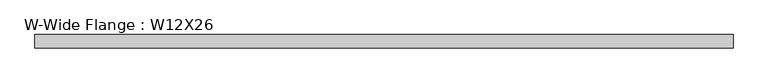
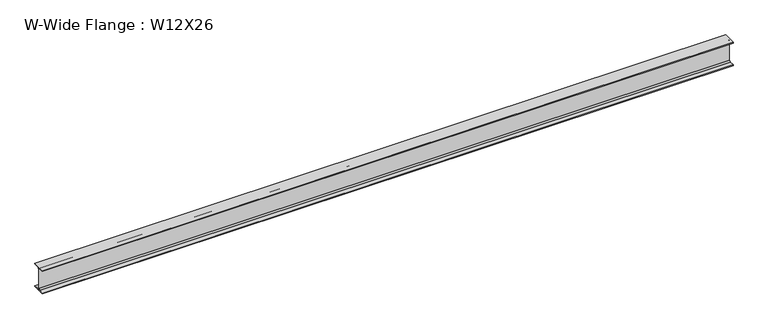
"""IFC4 building model written with IfcOpenShell, lengths in millimetres: beam geometry, W-Wide Flange : W12X26."""

from ifc_helpers import new_model, si_unit, point, frame, frame_2d, origin, place, context, project, spatial, polyline, circle_curve, trimmed, segment, composite_curve, outline, extrude, source, transform, mapped, element, save


def w_wide_flange_w12x26_3cccf0f2(model_context):
    return source(origin(), model_context, "Body", "SweptSolid", [
        extrude(outline(composite_curve([segment(polyline([(82.4011719, -145.5539063), (82.4011719, -155.178125), (-82.4011719, -155.178125), (-82.4011719, -145.5539063), (-20.2902344, -145.5539063)]), True, "CONTINUOUS"), segment(trimmed(circle_curve(frame_2d((-20.2902344, -128.190625)), 17.3632812), [point((-20.2902344, -145.5539063))], [point((-2.9269531, -128.190625))], True, "CARTESIAN"), True, "CONTINUOUS"), segment(polyline([(-2.9269531, -128.190625), (-2.9269531, 128.190625)]), True, "CONTINUOUS"), segment(trimmed(circle_curve(frame_2d((-20.2902344, 128.190625)), 17.3632812), [point((-2.9269531, 128.190625))], [point((-20.2902344, 145.5539062))], True, "CARTESIAN"), True, "CONTINUOUS"), segment(polyline([(-20.2902344, 145.5539062), (-82.4011719, 145.5539062), (-82.4011719, 155.178125), (82.4011719, 155.178125), (82.4011719, 145.5539062), (20.2902344, 145.5539062)]), True, "CONTINUOUS"), segment(trimmed(circle_curve(frame_2d((20.2902344, 128.190625)), 17.3632812), [point((20.2902344, 145.5539062))], [point((2.9269531, 128.190625))], True, "CARTESIAN"), True, "CONTINUOUS"), segment(polyline([(2.9269531, 128.190625), (2.9269531, -128.190625)]), True, "CONTINUOUS"), segment(trimmed(circle_curve(frame_2d((20.2902344, -128.190625)), 17.3632812), [point((2.9269531, -128.190625))], [point((20.2902344, -145.5539063))], True, "CARTESIAN"), True, "CONTINUOUS"), segment(polyline([(20.2902344, -145.5539063), (82.4011719, -145.5539063)]), True, "CONTINUOUS")], self_intersect=False)), frame((-4356.1, 0.0, 0.0), z_axis=(1.0, 0.0, 0.0), x_axis=(0.0, 1.0, 0.0)), (0.0, 0.0, 1.0), 8712.2),
    ])


if __name__ == "__main__":
    model = new_model("IFC4")
    model_context = context("Model", 3, world=origin())
    ifc_project = project(units=[si_unit("LENGTHUNIT", "METRE", prefix="MILLI")], contexts=[model_context])
    site = spatial("IfcSite", under=ifc_project)
    building = spatial("IfcBuilding", under=site)
    placement = place(None, origin())
    w_wide_flange_w12x26_shape = w_wide_flange_w12x26_3cccf0f2(model_context)
    element("IfcBeam", 1, ObjectType="W-Wide Flange : W12X26", at=placement, inside=building, context=model_context, shape_type="MappedRepresentation", body=[
        mapped(w_wide_flange_w12x26_shape, transform((0.0, 0.0, 0.0), x_axis=(1.0, 0.0, 0.0), y_axis=(0.0, 1.0, 0.0), z_axis=(0.0, 0.0, 1.0))),
    ])
    save(model, "model.ifc")
